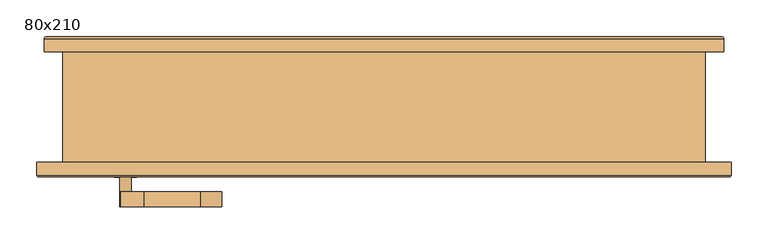
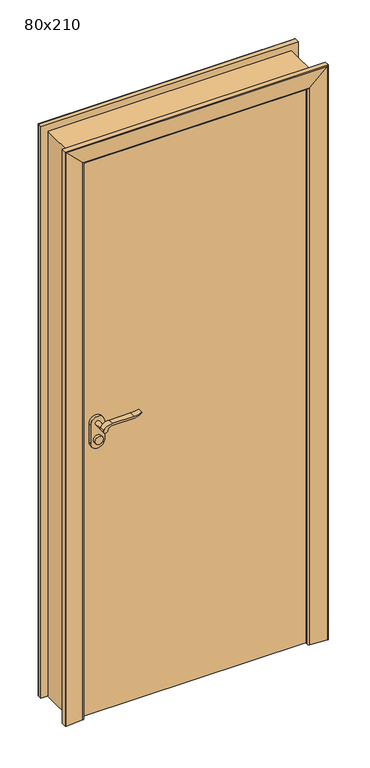
"""IFC4 building model written with IfcOpenShell, lengths in millimetres: door geometry, 80x210."""

from ifc_helpers import new_model, si_unit, point, frame, frame_2d, origin, origin_with_axes, place, context, project, spatial, polyline, circle_curve, ellipse_curve, trimmed, segment, composite_curve, outline, extrude, faceted_brep, source, transform, mapped, element, save
from ifc_brep_helpers import plane_surface, cylinder_surface, advanced_brep


def door_80x210_1038c421(model_context):
    return source(origin(), model_context, "Body", "SolidModel", [
        extrude(outline(composite_curve([segment(trimmed(circle_curve(frame_2d((1040.0, -350.0)), 15.0), [point((1040.0, -335.0))], [point((1040.0, -365.0))], False, "CARTESIAN"), True, "CONTINUOUS"), segment(trimmed(circle_curve(frame_2d((1040.0, -350.0)), 15.0), [point((1040.0, -365.0))], [point((1040.0, -335.0))], False, "CARTESIAN"), True, "CONTINUOUS")], self_intersect=False)), frame((0.0, -30.0, 0.0), z_axis=(0.0, 1.0, 0.0), x_axis=(0.0, 0.0, 1.0)), (0.0, 0.0, 1.0), 10.0),
        extrude(outline(composite_curve([segment(trimmed(circle_curve(frame_2d((1040.0, -350.0)), 15.0), [point((1040.0, -335.0))], [point((1040.0, -365.0))], False, "CARTESIAN"), True, "CONTINUOUS"), segment(trimmed(circle_curve(frame_2d((1040.0, -350.0)), 15.0), [point((1040.0, -365.0))], [point((1040.0, -335.0))], False, "CARTESIAN"), True, "CONTINUOUS")], self_intersect=False)), frame((0.0, -95.0, 0.0), z_axis=(0.0, 1.0, 0.0), x_axis=(0.0, 0.0, 1.0)), (0.0, 0.0, 1.0), 10.0),
        extrude(outline(composite_curve([segment(trimmed(circle_curve(frame_2d((1100.0, -350.0)), 8.0), [point((1104.6523287, -356.5081363))], [point((1100.0, -342.0))], False, "CARTESIAN"), True, "CONTINUOUS"), segment(trimmed(circle_curve(frame_2d((1094.8738613, -324.6138099)), 18.1261387), [point((1100.0, -342.0))], [point((1113.0, -324.6138099))], True, "CARTESIAN"), True, "CONTINUOUS"), segment(polyline([(1113.0, -324.6138099), (1113.0, -248.3564091)]), True, "CONTINUOUS"), segment(trimmed(circle_curve(frame_2d((1172.2709207, -251.9396612)), 59.3791355), [point((1113.0, -248.3564091))], [point((1122.2135558, -220.0))], False, "CARTESIAN"), True, "CONTINUOUS"), segment(polyline([(1122.2135558, -220.0), (1125.0, -220.0)]), True, "CONTINUOUS"), segment(trimmed(circle_curve(frame_2d((1203.2850638, -248.4227909)), 83.2850902), [point((1125.0, -220.0))], [point((1120.0, -248.3564091))], True, "CARTESIAN"), True, "CONTINUOUS"), segment(polyline([(1120.0, -248.3564091), (1120.0, -324.6325667)]), True, "CONTINUOUS"), segment(trimmed(circle_curve(frame_2d((1082.7555521, -326.3324871)), 37.2832219), [point((1120.0, -324.6325667))], [point((1104.6523287, -356.5081363))], False, "CARTESIAN"), True, "CONTINUOUS")], self_intersect=False)), frame((0.0, 0.0, 0.0), z_axis=(0.0, 1.0, 0.0), x_axis=(0.0, 0.0, 1.0)), (0.0, 0.0, 1.0), 20.0),
        extrude(outline(composite_curve([segment(trimmed(circle_curve(frame_2d((1094.8738682, -324.6138122)), 18.1261318), [point((1099.9999903, -342.0))], [point((1113.0, -324.6138122))], True, "CARTESIAN"), True, "CONTINUOUS"), segment(polyline([(1113.0, -324.6138122), (1113.0, -248.3564091)]), True, "CONTINUOUS"), segment(trimmed(circle_curve(frame_2d((1172.2709207, -251.9396612)), 59.3791355), [point((1113.0, -248.3564091))], [point((1122.2135558, -220.0))], False, "CARTESIAN"), True, "CONTINUOUS"), segment(polyline([(1122.2135558, -220.0), (1125.0, -220.0)]), True, "CONTINUOUS"), segment(trimmed(circle_curve(frame_2d((1203.2850638, -248.4227909)), 83.2850902), [point((1125.0, -220.0))], [point((1120.0, -248.3564091))], True, "CARTESIAN"), True, "CONTINUOUS"), segment(polyline([(1120.0, -248.3564091), (1120.0, -324.6325667)]), True, "CONTINUOUS"), segment(trimmed(circle_curve(frame_2d((1082.7555521, -326.3324871)), 37.2832219), [point((1120.0, -324.6325667))], [point((1104.6523287, -356.5081363))], False, "CARTESIAN"), True, "CONTINUOUS"), segment(trimmed(circle_curve(frame_2d((1100.0, -350.0)), 8.0), [point((1104.6523287, -356.5081363))], [point((1099.9999903, -342.0))], False, "CARTESIAN"), True, "CONTINUOUS")], self_intersect=False)), frame((0.0, -135.0, 0.0), z_axis=(0.0, 1.0, 0.0), x_axis=(0.0, 0.0, 1.0)), (0.0, 0.0, 1.0), 20.0),
        extrude(outline(composite_curve([segment(trimmed(circle_curve(frame_2d((1100.0, -350.0)), 8.0), [point((1100.0, -342.0))], [point((1100.0, -358.0))], False, "CARTESIAN"), True, "CONTINUOUS"), segment(trimmed(circle_curve(frame_2d((1100.0, -350.0)), 8.0), [point((1100.0, -358.0))], [point((1100.0, -342.0))], False, "CARTESIAN"), True, "CONTINUOUS")], self_intersect=False)), frame((0.0, -30.0, 0.0), z_axis=(0.0, 1.0, 0.0), x_axis=(0.0, 0.0, 1.0)), (0.0, 0.0, 1.0), 30.0),
        extrude(outline(composite_curve([segment(trimmed(circle_curve(frame_2d((1100.0, -350.0)), 8.0), [point((1100.0, -342.0))], [point((1100.0, -358.0))], False, "CARTESIAN"), True, "CONTINUOUS"), segment(trimmed(circle_curve(frame_2d((1100.0, -350.0)), 8.0), [point((1100.0, -358.0))], [point((1100.0, -342.0))], False, "CARTESIAN"), True, "CONTINUOUS")], self_intersect=False)), frame((0.0, -115.0, 0.0), z_axis=(0.0, 1.0, 0.0), x_axis=(0.0, 0.0, 1.0)), (0.0, 0.0, 1.0), 30.0),
        extrude(outline(composite_curve([segment(trimmed(circle_curve(frame_2d((1030.0, -350.0)), 25.0), [point((1030.0, -375.0))], [point((1030.0, -325.0))], False, "CARTESIAN"), True, "CONTINUOUS"), segment(polyline([(1030.0, -325.0), (1100.0, -325.0)]), True, "CONTINUOUS"), segment(trimmed(circle_curve(frame_2d((1100.0, -350.0)), 25.0), [point((1100.0, -325.0))], [point((1100.0, -375.0))], False, "CARTESIAN"), True, "CONTINUOUS"), segment(polyline([(1100.0, -375.0), (1030.0, -375.0)]), True, "CONTINUOUS")], self_intersect=False)), frame((0.0, -40.0, 0.0), z_axis=(0.0, 1.0, 0.0), x_axis=(0.0, 0.0, 1.0)), (0.0, 0.0, 1.0), 10.0),
        extrude(outline(composite_curve([segment(trimmed(circle_curve(frame_2d((1030.0, -350.0)), 25.0), [point((1030.0, -375.0))], [point((1030.0, -325.0))], False, "CARTESIAN"), True, "CONTINUOUS"), segment(polyline([(1030.0, -325.0), (1100.0, -325.0)]), True, "CONTINUOUS"), segment(trimmed(circle_curve(frame_2d((1100.0, -350.0)), 25.0), [point((1100.0, -325.0))], [point((1100.0, -375.0))], False, "CARTESIAN"), True, "CONTINUOUS"), segment(polyline([(1100.0, -375.0), (1030.0, -375.0)]), True, "CONTINUOUS")], self_intersect=False)), frame((0.0, -85.0, 0.0), z_axis=(0.0, 1.0, 0.0), x_axis=(0.0, 0.0, 1.0)), (0.0, 0.0, 1.0), 10.0),
        extrude(outline(polyline([(400.0, -40.0), (400.0, -75.0), (-400.0, -75.0), (-400.0, -40.0), (400.0, -40.0)])), origin_with_axes(), (0.0, 0.0, 1.0), 2100.0),
        advanced_brep(
        [(460.0, 75.0, 0.0), (390.0, 75.0, 0.0), (390.0, 85.0, 0.0), (395.0, 90.0, 0.0), (457.3082588, 94.792943, 0.0), (460.0, 92.3003068, 0.0), (460.0, 75.0, 2160.0), (-460.0, 75.0, 2160.0), (-460.0, 75.0, 0.0), (-390.0, 75.0, 0.0), (-390.0, 75.0, 2090.0), (390.0, 75.0, 2090.0), (390.0, 85.0, 2090.0), (395.0, 90.0, 2095.0), (457.3082588, 94.792943, 2157.3082588), (460.0, 92.3003068, 2160.0), (-460.0, 92.3003068, 2160.0), (-460.0, 92.3003068, 0.0), (-457.3082588, 94.792943, 0.0), (-395.0, 90.0, 0.0), (-390.0, 85.0, 0.0), (-390.0, 85.0, 2090.0), (-457.3082588, 94.792943, 2157.3082588), (-395.0, 90.0, 2095.0)],
        [
            (0, 1),
            (1, 2),
            (2, 3, circle_curve(frame((395.0, 85.0, 0.0), z_axis=(0.0, 0.0, -1.0), x_axis=(0.0, 1.0, 0.0)), 5.0)),
            (3, 4),
            (4, 5, circle_curve(frame((457.5, 92.3003068, 0.0), z_axis=(0.0, 0.0, -1.0), x_axis=(0.0, 1.0, 0.0)), 2.5)),
            (5, 0),
            (0, 6),
            (6, 7),
            (7, 8),
            (8, 9),
            (9, 10),
            (10, 11),
            (11, 1),
            (11, 12),
            (12, 2),
            (12, 13, ellipse_curve(frame((395.0, 85.0, 2095.0), z_axis=(0.7071067811865475, 0.0, -0.7071067811865475), x_axis=(-0.7071067811865474, 0.0, -0.7071067811865476)), 7.0710678, 5.0)),
            (13, 3),
            (13, 14),
            (14, 4),
            (14, 15, ellipse_curve(frame((457.5, 92.3003068, 2157.5), z_axis=(0.7071067811865475, 0.0, -0.7071067811865475), x_axis=(-0.7071067811865474, 0.0, -0.7071067811865476)), 3.5355339, 2.5)),
            (15, 5),
            (15, 6),
            (7, 16),
            (16, 17),
            (17, 8),
            (17, 18, circle_curve(frame((-457.5, 92.3003068, 0.0), z_axis=(0.0, 0.0, -1.0), x_axis=(0.0, 1.0, 0.0)), 2.5)),
            (18, 19),
            (19, 20, circle_curve(frame((-395.0, 85.0, 0.0), z_axis=(0.0, 0.0, -1.0), x_axis=(0.0, 1.0, 0.0)), 5.0)),
            (20, 9),
            (21, 10),
            (20, 21),
            (16, 22, ellipse_curve(frame((-457.5, 92.3003068, 2157.5), z_axis=(-0.7071067811865475, 0.0, -0.7071067811865475), x_axis=(-0.7071067811865474, 0.0, 0.7071067811865476)), 3.5355339, 2.5)),
            (22, 18),
            (22, 23),
            (23, 19),
            (23, 21, ellipse_curve(frame((-395.0, 85.0, 2095.0), z_axis=(-0.7071067811865475, 0.0, -0.7071067811865475), x_axis=(-0.7071067811865474, 0.0, 0.7071067811865476)), 7.0710678, 5.0)),
            (21, 12),
            (23, 13),
            (22, 14),
            (16, 15),
        ],
        [
            plane_surface(frame((390.0, 75.0, 0.0), z_axis=(0.0, 0.0, -1.0), x_axis=(-1.0, 0.0, 0.0))),
            plane_surface(frame((460.0, 75.0, 0.0), z_axis=(0.0, -1.0, 0.0), x_axis=(0.0, 0.0, 1.0))),
            plane_surface(frame((390.0, 75.0, 0.0), z_axis=(-1.0, 0.0, 0.0), x_axis=(0.0, 0.0, 1.0))),
            cylinder_surface(frame((395.0, 85.0, 0.0), z_axis=(0.0, 0.0, -1.0), x_axis=(0.0, 1.0, 0.0)), 5.0),
            plane_surface(frame((395.0, 90.0, 0.0), z_axis=(-0.07669649888474349, 0.9970544855015812, 0.0), x_axis=(0.0, 0.0, 1.0))),
            cylinder_surface(frame((457.5, 92.3003068, 0.0), z_axis=(0.0, 0.0, -1.0), x_axis=(0.0, 1.0, 0.0)), 2.5),
            plane_surface(frame((460.0, 92.3003068, 0.0), z_axis=(1.0, 0.0, 0.0), x_axis=(0.0, 0.0, 1.0))),
            plane_surface(frame((-460.0, 92.3003068, 2160.0), z_axis=(-1.0, 0.0, 0.0), x_axis=(0.0, 0.0, -1.0))),
            plane_surface(frame((-390.0, 75.0, 0.0), z_axis=(0.0, 0.0, -1.0), x_axis=(1.0, 0.0, 0.0))),
            plane_surface(frame((-390.0, 75.0, 2090.0), z_axis=(1.0, 0.0, 0.0), x_axis=(0.0, 0.0, -1.0))),
            cylinder_surface(frame((-457.5, 92.3003068, 2090.0), z_axis=(0.0, 0.0, 1.0), x_axis=(0.0, 1.0, 0.0)), 2.5),
            plane_surface(frame((-395.0, 90.0, 2095.0), z_axis=(0.07669649888474349, 0.9970544855015812, 0.0), x_axis=(0.0, 0.0, -1.0))),
            cylinder_surface(frame((-395.0, 85.0, 2090.0), z_axis=(0.0, 0.0, 1.0), x_axis=(0.0, 1.0, 0.0)), 5.0),
            plane_surface(frame((390.0, 75.0, 2090.0), z_axis=(0.0, 0.0, -1.0), x_axis=(-1.0, 0.0, 0.0))),
            cylinder_surface(frame((390.0, 85.0, 2095.0), z_axis=(1.0, 0.0, 0.0), x_axis=(0.0, 1.0, 0.0)), 5.0),
            plane_surface(frame((395.0, 90.0, 2095.0), z_axis=(0.0, 0.9970544855015812, -0.07669649888474349), x_axis=(-1.0, 0.0, 0.0))),
            cylinder_surface(frame((390.0, 92.3003068, 2157.5), z_axis=(1.0, 0.0, 0.0), x_axis=(0.0, 1.0, 0.0)), 2.5),
            plane_surface(frame((460.0, 92.3003068, 2160.0), z_axis=(0.0, 0.0, 1.0), x_axis=(-1.0, 0.0, 0.0))),
        ],
        [
            (0, [[1, 2, 3, 4, 5, 6]]),
            (1, [[-1, 7, 8, 9, 10, 11, 12, 13]]),
            (2, [[-2, -13, 14, 15]]),
            (3, [[-3, -15, 16, 17]]),
            (4, [[-4, -17, 18, 19]]),
            (5, [[-5, -19, 20, 21]]),
            (6, [[-6, -21, 22, -7]]),
            (7, [[23, 24, 25, -9]]),
            (8, [[-25, 26, 27, 28, 29, -10]]),
            (9, [[30, -11, -29, 31]]),
            (10, [[32, 33, -26, -24]]),
            (11, [[34, 35, -27, -33]]),
            (12, [[36, -31, -28, -35]]),
            (13, [[-14, -12, -30, 37]]),
            (14, [[-16, -37, -36, 38]]),
            (15, [[-18, -38, -34, 39]]),
            (16, [[-20, -39, -32, 40]]),
            (17, [[-22, -40, -23, -8]]),
        ],
    ),
        advanced_brep(
        [(470.0, -75.0, 0.0), (470.0, -92.3003068, 0.0), (467.3082588, -94.792943, 0.0), (405.0, -90.0, 0.0), (400.0, -85.0, 0.0), (400.0, -75.0, 0.0), (470.0, -75.0, 2170.0), (470.0, -92.3003068, 2170.0), (467.3082588, -94.792943, 2167.3082588), (405.0, -90.0, 2105.0), (400.0, -85.0, 2100.0), (400.0, -75.0, 2100.0), (-400.0, -75.0, 2100.0), (-400.0, -75.0, 0.0), (-470.0, -75.0, 0.0), (-470.0, -75.0, 2170.0), (-400.0, -85.0, 2100.0), (-400.0, -85.0, 0.0), (-405.0, -90.0, 0.0), (-467.3082588, -94.792943, 0.0), (-470.0, -92.3003068, 0.0), (-470.0, -92.3003068, 2170.0), (-405.0, -90.0, 2105.0), (-467.3082588, -94.792943, 2167.3082588)],
        [
            (0, 1),
            (1, 2, circle_curve(frame((467.5, -92.3003068, 0.0), z_axis=(0.0, 0.0, -1.0), x_axis=(0.0, -1.0, 0.0)), 2.5)),
            (2, 3),
            (3, 4, circle_curve(frame((405.0, -85.0, 0.0), z_axis=(0.0, 0.0, -1.0), x_axis=(0.0, -1.0, 0.0)), 5.0)),
            (4, 5),
            (5, 0),
            (0, 6),
            (6, 7),
            (7, 1),
            (7, 8, ellipse_curve(frame((467.5, -92.3003068, 2167.5), z_axis=(0.7071067811865475, 0.0, -0.7071067811865475), x_axis=(-0.7071067811865474, 0.0, -0.7071067811865476)), 3.5355339, 2.5)),
            (8, 2),
            (8, 9),
            (9, 3),
            (9, 10, ellipse_curve(frame((405.0, -85.0, 2105.0), z_axis=(0.7071067811865475, 0.0, -0.7071067811865475), x_axis=(-0.7071067811865474, 0.0, -0.7071067811865476)), 7.0710678, 5.0)),
            (10, 4),
            (10, 11),
            (11, 5),
            (11, 12),
            (12, 13),
            (13, 14),
            (14, 15),
            (15, 6),
            (12, 16),
            (16, 17),
            (17, 13),
            (17, 18, circle_curve(frame((-405.0, -85.0, 0.0), z_axis=(0.0, 0.0, -1.0), x_axis=(0.0, -1.0, 0.0)), 5.0)),
            (18, 19),
            (19, 20, circle_curve(frame((-467.5, -92.3003068, 0.0), z_axis=(0.0, 0.0, -1.0), x_axis=(0.0, -1.0, 0.0)), 2.5)),
            (20, 14),
            (21, 15),
            (20, 21),
            (16, 22, ellipse_curve(frame((-405.0, -85.0, 2105.0), z_axis=(-0.7071067811865475, 0.0, -0.7071067811865475), x_axis=(-0.7071067811865474, 0.0, 0.7071067811865476)), 7.0710678, 5.0)),
            (22, 18),
            (22, 23),
            (23, 19),
            (23, 21, ellipse_curve(frame((-467.5, -92.3003068, 2167.5), z_axis=(-0.7071067811865475, 0.0, -0.7071067811865475), x_axis=(-0.7071067811865474, 0.0, 0.7071067811865476)), 3.5355339, 2.5)),
            (21, 7),
            (23, 8),
            (22, 9),
            (16, 10),
        ],
        [
            plane_surface(frame((400.0, -75.0, 0.0), z_axis=(0.0, 0.0, -1.0), x_axis=(-1.0, 0.0, 0.0))),
            plane_surface(frame((470.0, -75.0, 0.0), z_axis=(1.0, 0.0, 0.0), x_axis=(0.0, 0.0, 1.0))),
            cylinder_surface(frame((467.5, -92.3003068, 0.0), z_axis=(0.0, 0.0, -1.0), x_axis=(0.0, -1.0, 0.0)), 2.5),
            plane_surface(frame((467.3082588, -94.792943, 0.0), z_axis=(-0.07669649888474349, -0.9970544855015812, 0.0), x_axis=(0.0, 0.0, 1.0))),
            cylinder_surface(frame((405.0, -85.0, 0.0), z_axis=(0.0, 0.0, -1.0), x_axis=(0.0, -1.0, 0.0)), 5.0),
            plane_surface(frame((400.0, -85.0, 0.0), z_axis=(-1.0, 0.0, 0.0), x_axis=(0.0, 0.0, 1.0))),
            plane_surface(frame((400.0, -75.0, 0.0), z_axis=(0.0, 1.0, 0.0), x_axis=(0.0, 0.0, 1.0))),
            plane_surface(frame((-400.0, -85.0, 2100.0), z_axis=(1.0, 0.0, 0.0), x_axis=(0.0, 0.0, -1.0))),
            plane_surface(frame((-400.0, -75.0, 0.0), z_axis=(0.0, 0.0, -1.0), x_axis=(1.0, 0.0, 0.0))),
            plane_surface(frame((-470.0, -75.0, 2170.0), z_axis=(-1.0, 0.0, 0.0), x_axis=(0.0, 0.0, -1.0))),
            cylinder_surface(frame((-405.0, -85.0, 2100.0), z_axis=(0.0, 0.0, 1.0), x_axis=(0.0, -1.0, 0.0)), 5.0),
            plane_surface(frame((-467.3082588, -94.792943, 2167.3082588), z_axis=(0.07669649888474349, -0.9970544855015812, 0.0), x_axis=(0.0, 0.0, -1.0))),
            cylinder_surface(frame((-467.5, -92.3003068, 2100.0), z_axis=(0.0, 0.0, 1.0), x_axis=(0.0, -1.0, 0.0)), 2.5),
            plane_surface(frame((470.0, -75.0, 2170.0), z_axis=(0.0, 0.0, 1.0), x_axis=(-1.0, 0.0, 0.0))),
            cylinder_surface(frame((400.0, -92.3003068, 2167.5), z_axis=(1.0, 0.0, 0.0), x_axis=(0.0, -1.0, 0.0)), 2.5),
            plane_surface(frame((467.3082588, -94.792943, 2167.3082588), z_axis=(0.0, -0.9970544855015812, -0.07669649888474347), x_axis=(-1.0, 0.0, 0.0))),
            cylinder_surface(frame((400.0, -85.0, 2105.0), z_axis=(1.0, 0.0, 0.0), x_axis=(0.0, -1.0, 0.0)), 5.0),
            plane_surface(frame((400.0, -85.0, 2100.0), z_axis=(0.0, 0.0, -1.0), x_axis=(-1.0, 0.0, 0.0))),
        ],
        [
            (0, [[1, 2, 3, 4, 5, 6]]),
            (1, [[-1, 7, 8, 9]]),
            (2, [[-2, -9, 10, 11]]),
            (3, [[-3, -11, 12, 13]]),
            (4, [[-4, -13, 14, 15]]),
            (5, [[-5, -15, 16, 17]]),
            (6, [[-6, -17, 18, 19, 20, 21, 22, -7]]),
            (7, [[23, 24, 25, -19]]),
            (8, [[-20, -25, 26, 27, 28, 29]]),
            (9, [[30, -21, -29, 31]]),
            (10, [[32, 33, -26, -24]]),
            (11, [[34, 35, -27, -33]]),
            (12, [[36, -31, -28, -35]]),
            (13, [[-8, -22, -30, 37]]),
            (14, [[-10, -37, -36, 38]]),
            (15, [[-12, -38, -34, 39]]),
            (16, [[-14, -39, -32, 40]]),
            (17, [[-16, -40, -23, -18]]),
        ],
    ),
        faceted_brep([(390.0, 75.0, 0.0), (435.0, 75.0, 0.0), (435.0, -75.0, 0.0), (400.0, -75.0, 0.0), (400.0, -40.0, 0.0), (390.0, -40.0, 0.0), (390.0, 75.0, 2090.0), (-390.0, 75.0, 2090.0), (-390.0, 75.0, 0.0), (-435.0, 75.0, 0.0), (-435.0, 75.0, 2135.0), (435.0, 75.0, 2135.0), (435.0, -75.0, 2135.0), (-435.0, -75.0, 2135.0), (-435.0, -75.0, 0.0), (-400.0, -75.0, 0.0), (-400.0, -75.0, 2100.0), (400.0, -75.0, 2100.0), (400.0, -40.0, 2100.0), (-400.0, -40.0, 2100.0), (-400.0, -40.0, 0.0), (-390.0, -40.0, 0.0), (-390.0, -40.0, 2090.0), (390.0, -40.0, 2090.0)], [[[0, 1, 2, 3, 4, 5]], [[1, 0, 6, 7, 8, 9, 10, 11]], [[2, 1, 11, 12]], [[3, 2, 12, 13, 14, 15, 16, 17]], [[4, 3, 17, 18]], [[5, 4, 18, 19, 20, 21, 22, 23]], [[0, 5, 23, 6]], [[7, 22, 21, 8]], [[8, 21, 20, 15, 14, 9]], [[13, 10, 9, 14]], [[19, 16, 15, 20]], [[12, 11, 10, 13]], [[18, 17, 16, 19]], [[6, 23, 22, 7]]]),
    ])


if __name__ == "__main__":
    model = new_model("IFC4")
    model_context = context("Model", 3, world=origin())
    ifc_project = project(units=[si_unit("LENGTHUNIT", "METRE", prefix="MILLI")], contexts=[model_context])
    site = spatial("IfcSite", under=ifc_project)
    building = spatial("IfcBuilding", under=site)
    placement = place(None, origin())
    door_80x210_shape = door_80x210_1038c421(model_context)
    element("IfcDoor", 1, ObjectType="80x210", at=placement, inside=building, context=model_context, shape_type="MappedRepresentation", body=[
        mapped(door_80x210_shape, transform((0.0, 0.0, 0.0), x_axis=(1.0, 0.0, 0.0), y_axis=(0.0, 1.0, 0.0), z_axis=(0.0, 0.0, 1.0))),
    ])
    save(model, "model.ifc")
